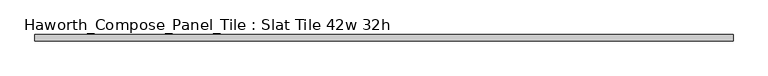
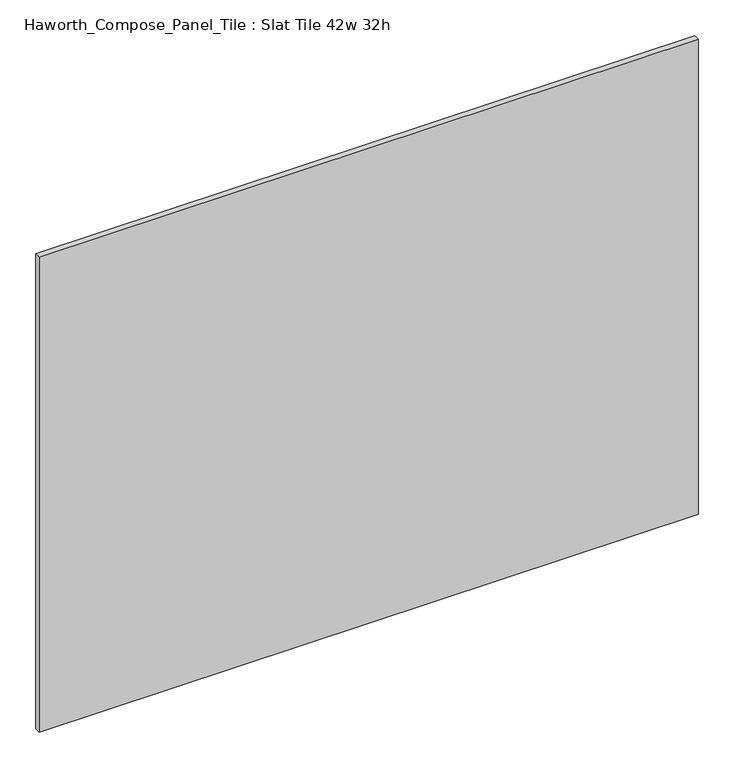
"""IFC4 building model written with IfcOpenShell, lengths in millimetres: furniture geometry, Haworth_Compose_Panel_Tile : Slat Tile 42w 32h."""

from ifc_helpers import new_model, si_unit, frame, origin, place, context, project, spatial, polyline, outline, extrude, source, transform, mapped, element, save


def haworth_compose_panel_tile_slat_tile_42w_32h_928b57c4(model_context):
    return source(origin(), model_context, "Body", "SweptSolid", [
        extrude(outline(polyline([(535.8402902, -25.7218594), (-530.9597098, -25.7218594), (-530.9597098, -16.1968594), (535.8402902, -16.1968594), (535.8402902, -25.7218594)])), frame((0.0, 0.0, 1066.8), z_axis=(0.0, 0.0, 1.0), x_axis=(1.0, 0.0, 0.0)), (0.0, 0.0, 1.0), 812.8),
    ])


if __name__ == "__main__":
    model = new_model("IFC4")
    model_context = context("Model", 3, world=origin())
    ifc_project = project(units=[si_unit("LENGTHUNIT", "METRE", prefix="MILLI")], contexts=[model_context])
    site = spatial("IfcSite", under=ifc_project)
    building = spatial("IfcBuilding", under=site)
    placement = place(None, origin())
    haworth_compose_panel_tile_slat_tile_42w_32h_shape = haworth_compose_panel_tile_slat_tile_42w_32h_928b57c4(model_context)
    element("IfcFurniture", 1, ObjectType="Haworth_Compose_Panel_Tile : Slat Tile 42w 32h", at=placement, inside=building, context=model_context, shape_type="MappedRepresentation", body=[
        mapped(haworth_compose_panel_tile_slat_tile_42w_32h_shape, transform((0.0, 0.0, 0.0), x_axis=(1.0, 0.0, 0.0), y_axis=(0.0, 1.0, 0.0), z_axis=(0.0, 0.0, 1.0))),
    ])
    save(model, "model.ifc")
